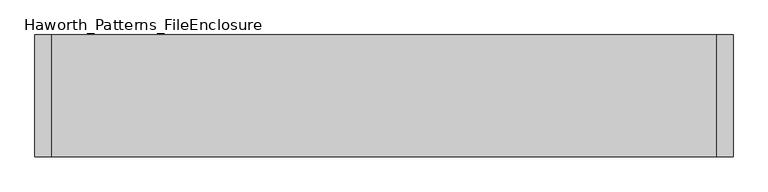
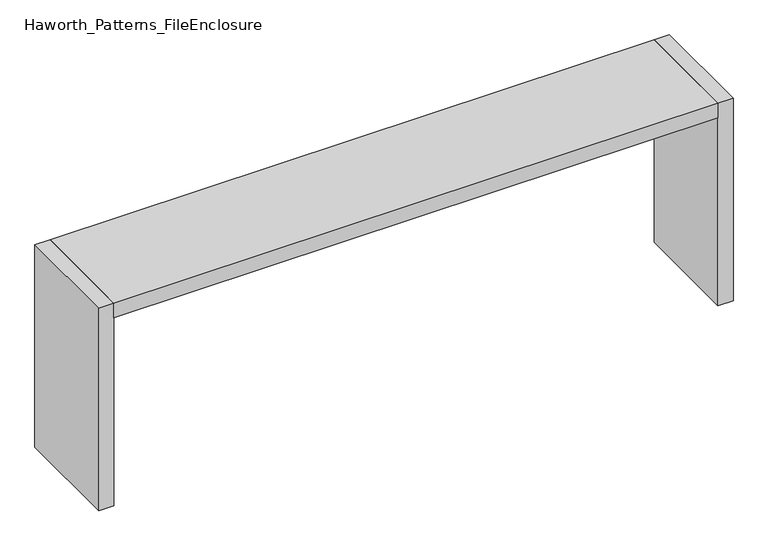
"""IFC4 building model written with IfcOpenShell, lengths in millimetres: furniture geometry, Haworth_Patterns_FileEnclosure."""

from ifc_helpers import new_model, si_unit, frame, origin, origin_with_axes, place, context, project, spatial, polyline, outline, extrude, source, transform, mapped, element, save


def haworth_patterns_fileenclosure_efbffd89(model_context):
    return source(origin(), model_context, "Body", "SweptSolid", [
        extrude(outline(polyline([(1524.0, 0.0), (1524.0, -558.8), (-1524.0, -558.8), (-1524.0, 0.0), (1524.0, 0.0)])), frame((0.0, 0.0, 1003.3), z_axis=(0.0, 0.0, 1.0), x_axis=(1.0, 0.0, 0.0)), (0.0, 0.0, 1.0), 76.2),
        extrude(outline(polyline([(1524.0, 0.0), (1600.2, 0.0), (1600.2, -558.8), (1524.0, -558.8), (1524.0, 0.0)])), origin_with_axes(), (0.0, 0.0, 1.0), 1079.5),
        extrude(outline(polyline([(-1524.0, 0.0), (-1524.0, -558.8), (-1600.2, -558.8), (-1600.2, 0.0), (-1524.0, 0.0)])), origin_with_axes(), (0.0, 0.0, 1.0), 1079.5),
    ])


if __name__ == "__main__":
    model = new_model("IFC4")
    model_context = context("Model", 3, world=origin())
    ifc_project = project(units=[si_unit("LENGTHUNIT", "METRE", prefix="MILLI")], contexts=[model_context])
    site = spatial("IfcSite", under=ifc_project)
    building = spatial("IfcBuilding", under=site)
    placement = place(None, origin())
    haworth_patterns_fileenclosure_shape = haworth_patterns_fileenclosure_efbffd89(model_context)
    element("IfcFurniture", 1, ObjectType="Haworth_Patterns_FileEnclosure", at=placement, inside=building, context=model_context, shape_type="MappedRepresentation", body=[
        mapped(haworth_patterns_fileenclosure_shape, transform((0.0, 0.0, 0.0), x_axis=(1.0, 0.0, 0.0), y_axis=(0.0, 1.0, 0.0), z_axis=(0.0, 0.0, 1.0))),
    ])
    save(model, "model.ifc")
